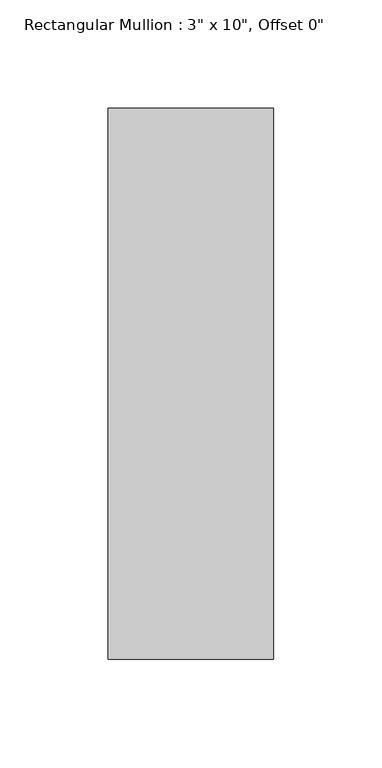
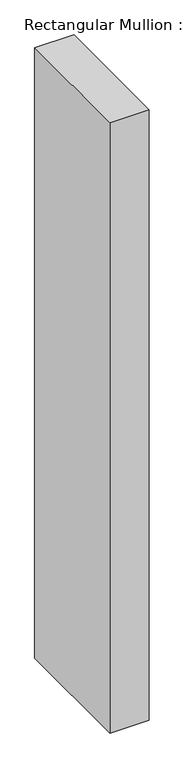
"""IFC4 building model written with IfcOpenShell, lengths in millimetres: member geometry."""

from ifc_helpers import new_model, si_unit, frame, origin, place, context, project, spatial, polyline, outline, extrude, source, transform, mapped, element, save


def member_0bab62e7(model_context):
    return source(origin(), model_context, "Body", "SweptSolid", [
        extrude(outline(polyline([(0.0, 127.0), (0.0, -127.0), (-76.2, -127.0), (-76.2, 127.0), (0.0, 127.0)])), frame((0.0, 0.0, -1257.3), z_axis=(0.0, 0.0, 1.0), x_axis=(1.0, 0.0, 0.0)), (0.0, 0.0, 1.0), 1257.3),
    ])


if __name__ == "__main__":
    model = new_model("IFC4")
    model_context = context("Model", 3, world=origin())
    ifc_project = project(units=[si_unit("LENGTHUNIT", "METRE", prefix="MILLI")], contexts=[model_context])
    site = spatial("IfcSite", under=ifc_project)
    building = spatial("IfcBuilding", under=site)
    placement = place(None, origin())
    member_shape = member_0bab62e7(model_context)
    element("IfcMember", 1, ObjectType="Rectangular Mullion : 3\" x 10\", Offset 0\"", at=placement, inside=building, context=model_context, shape_type="MappedRepresentation", body=[
        mapped(member_shape, transform((0.0, 0.0, 0.0), x_axis=(1.0, 0.0, 0.0), y_axis=(0.0, 1.0, 0.0), z_axis=(0.0, 0.0, 1.0))),
    ])
    save(model, "model.ifc")
